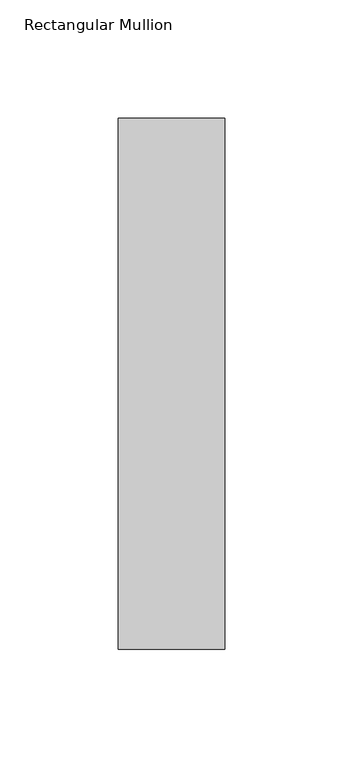
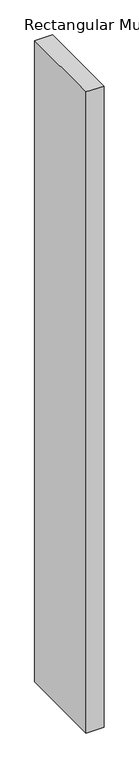
"""IFC4 building model written with IfcOpenShell, lengths in millimetres: member geometry, Rectangular Mullion."""

import ifcopenshell
import ifcopenshell.guid

model = None  # the IFC model being written
_history = None  # IfcOwnerHistory: only IFC2X3 demands one
_inside = {}  # id of a spatial element -> (the spatial element, [elements in it])
_under = {}  # id of a project, library or spatial element -> (it, [spatial elements below it])
_declared = {}  # id of a project -> (the project, [libraries it declares])
_typed = {}  # id of a type object -> (the type object, [elements of that type])
_made_of = {}  # id of a material, layer set ... -> (it, [elements and type objects made of it])


def new_model(schema):
    """Start an empty IFC model of exactly this schema.

    Asked for "IFC4X3", IfcOpenShell would pick the latest addendum, in which some entities
    have other attributes; the version numbers below select the first issue.
    IFC2X3 requires an IfcOwnerHistory on every rooted entity: one is made here for all.
    """
    global model, _history
    if schema == "IFC4X3":
        model = ifcopenshell.file(schema_version=(4, 3, 0, 0))
    else:
        model = ifcopenshell.file(schema=schema)
    _inside.clear()
    _under.clear()
    _declared.clear()
    _typed.clear()
    _made_of.clear()
    _history = None
    if model.schema == "IFC2X3":
        org = make("IfcOrganization", Name="unknown")
        user = make(
            "IfcPersonAndOrganization",
            ThePerson=make("IfcPerson", FamilyName="unknown"),
            TheOrganization=org,
        )
        app = make(
            "IfcApplication",
            ApplicationDeveloper=org,
            Version="unknown",
            ApplicationFullName="unknown",
            ApplicationIdentifier="unknown",
        )
        _history = make(
            "IfcOwnerHistory",
            OwningUser=user,
            OwningApplication=app,
            ChangeAction="ADDED",
            CreationDate=0,
        )
    return model


def make(cls, **values):
    """One entity of the class cls with the attributes given. An attribute that is None is left unset."""
    return model.create_entity(
        cls, **{name: value for name, value in values.items() if value is not None}
    )


def rooted(cls, **values):
    """An entity with a GlobalId (a new one), such as an element, a storey or a relation."""
    return make(cls, GlobalId=ifcopenshell.guid.new(), OwnerHistory=_history, **values)


def si_unit(unit_type, name, prefix=None):
    """IfcSIUnit, for example si_unit("LENGTHUNIT", "METRE", prefix="MILLI")."""
    return make("IfcSIUnit", UnitType=unit_type, Prefix=prefix, Name=name)


def assignment(units):
    """IfcUnitAssignment: the units of a project."""
    return None if units is None else make("IfcUnitAssignment", Units=units)


def point(xyz):
    """IfcCartesianPoint."""
    return None if xyz is None else make("IfcCartesianPoint", Coordinates=xyz)


def direction(xyz):
    """IfcDirection."""
    return None if xyz is None else make("IfcDirection", DirectionRatios=xyz)


def frame(location, z_axis=None, x_axis=None):
    """IfcAxis2Placement3D, a coordinate frame: its origin and axes. An axis left out is left unset."""
    return make(
        "IfcAxis2Placement3D",
        Location=point(location),
        Axis=direction(z_axis),
        RefDirection=direction(x_axis),
    )


def origin():
    """The frame at (0, 0, 0) with its axes left unset."""
    return frame((0.0, 0.0, 0.0))


def place(relative_to, where):
    """IfcLocalPlacement: puts the frame where relative to a parent placement (None: the world)."""
    return make(
        "IfcLocalPlacement", PlacementRelTo=relative_to, RelativePlacement=where
    )


def context(
    kind, dimensions, precision=None, world=None, true_north=None, identifier=None
):
    """IfcGeometricRepresentationContext, for example the 3D "Model" context."""
    return make(
        "IfcGeometricRepresentationContext",
        ContextIdentifier=identifier,
        ContextType=kind,
        CoordinateSpaceDimension=dimensions,
        Precision=precision,
        WorldCoordinateSystem=world,
        TrueNorth=true_north,
    )


def project(units=None, contexts=None):
    """IfcProject with its units and contexts."""
    return rooted(
        "IfcProject",
        Name="project",
        RepresentationContexts=contexts,
        UnitsInContext=assignment(units),
    )


def spatial(cls, under=None, at=None, **own):
    """A site, building, storey or space (cls), placed at a placement, below another one or the project."""
    s = rooted(cls, ObjectPlacement=at, **own)
    if under is not None:
        _under.setdefault(under.id(), (under, []))[1].append(s)
    return s


def polyline(points):
    """IfcPolyline through the points."""
    return make("IfcPolyline", Points=[point(p) for p in points])


def outline(outer, holes=None, kind="AREA"):
    """IfcArbitraryClosedProfileDef: a profile drawn as a closed curve; with holes, ...WithVoids."""
    if holes is None:
        return make("IfcArbitraryClosedProfileDef", ProfileType=kind, OuterCurve=outer)
    return make(
        "IfcArbitraryProfileDefWithVoids",
        ProfileType=kind,
        OuterCurve=outer,
        InnerCurves=holes,
    )


def extrude(swept, where, along, depth):
    """IfcExtrudedAreaSolid: the profile swept, set in the frame where, extruded along a direction by depth."""
    return make(
        "IfcExtrudedAreaSolid",
        SweptArea=swept,
        Position=where,
        ExtrudedDirection=direction(along),
        Depth=depth,
    )


def shape(context_of_items, identifier, shape_type, items):
    """IfcShapeRepresentation: the items that make up one representation, for example the "Body"."""
    return make(
        "IfcShapeRepresentation",
        ContextOfItems=context_of_items,
        RepresentationIdentifier=identifier,
        RepresentationType=shape_type,
        Items=items,
    )


def source(mapping_origin, context_of_items, identifier, shape_type, items):
    """IfcRepresentationMap: a shape defined once, which mapped items show again and again."""
    return make(
        "IfcRepresentationMap",
        MappingOrigin=mapping_origin,
        MappedRepresentation=shape(context_of_items, identifier, shape_type, items),
    )


def transform(
    local_origin,
    x_axis=None,
    y_axis=None,
    z_axis=None,
    scale=None,
    scale2=None,
    scale3=None,
    uniform=True,
):
    """IfcCartesianTransformationOperator3D, or its non-uniform kind. x_axis, y_axis, z_axis: its Axis1, 2, 3."""
    if uniform:
        return make(
            "IfcCartesianTransformationOperator3D",
            Axis1=direction(x_axis),
            Axis2=direction(y_axis),
            LocalOrigin=point(local_origin),
            Scale=scale,
            Axis3=direction(z_axis),
        )
    return make(
        "IfcCartesianTransformationOperator3DnonUniform",
        Axis1=direction(x_axis),
        Axis2=direction(y_axis),
        LocalOrigin=point(local_origin),
        Scale=scale,
        Axis3=direction(z_axis),
        Scale2=scale2,
        Scale3=scale3,
    )


def mapped(mapping_source, mapping_target):
    """IfcMappedItem: shows the shape of a source again, moved by a transform."""
    return make(
        "IfcMappedItem", MappingSource=mapping_source, MappingTarget=mapping_target
    )


def made_of(thing, what):
    """Note that an element or type object is made of a material, layer set ...; save() writes the relation."""
    if what is not None:
        _made_of.setdefault(what.id(), (what, []))[1].append(thing)
    return thing


def element(
    cls,
    number,
    at=None,
    inside=None,
    cuts=None,
    type_object=None,
    material=None,
    context=None,
    identifier="Body",
    shape_type=None,
    held_by="IfcProductDefinitionShape",
    body=None,
    shapes=None,
    **own,
):
    """One element of the class cls, such as IfcWall. Its Tag is "e" and its number.

    at: its placement. inside: the storey or other place that contains it. cuts: it is an
    opening in that element (IfcRelVoidsElement). A single representation is given by context,
    identifier, shape_type and body (its items); several are given by shapes. held_by: the class
    of the entity that holds the representations. save() writes the other relations.
    """
    e = rooted(cls, Tag="e%d" % number, ObjectPlacement=at, **own)
    if body is not None:
        shapes = [shape(context, identifier, shape_type, body)]
    if shapes is not None:
        e.Representation = make(held_by, Representations=shapes)
    if inside is not None:
        _inside.setdefault(inside.id(), (inside, []))[1].append(e)
    if cuts is not None:
        rooted(
            "IfcRelVoidsElement", RelatingBuildingElement=cuts, RelatedOpeningElement=e
        )
    if type_object is not None:
        _typed.setdefault(type_object.id(), (type_object, []))[1].append(e)
    return made_of(e, material)


def aggregate(whole, parts):
    """IfcRelAggregates: a whole, such as a stair, and the parts it consists of."""
    return rooted("IfcRelAggregates", RelatingObject=whole, RelatedObjects=parts)


def save(model, path):
    """Write the relations noted so far, then the file.

    IfcRelAggregates (storeys below a building ...), IfcRelContainedInSpatialStructure (elements
    in a storey), IfcRelDefinesByType, IfcRelAssociatesMaterial and IfcRelDeclares: one each for
    every whole, place, type object, material and project.
    """
    for whole, parts in _under.values():
        aggregate(whole, parts)
    for where, things in _inside.values():
        rooted(
            "IfcRelContainedInSpatialStructure",
            RelatedElements=things,
            RelatingStructure=where,
        )
    for kind, things in _typed.values():
        rooted("IfcRelDefinesByType", RelatedObjects=things, RelatingType=kind)
    for what, things in _made_of.values():
        rooted("IfcRelAssociatesMaterial", RelatedObjects=things, RelatingMaterial=what)
    for by, libraries in _declared.values():
        rooted("IfcRelDeclares", RelatingContext=by, RelatedDefinitions=libraries)
    model.write(path)


def rectangular_mullion_48e275ac(model_context):
    return source(origin(), model_context, "Body", "SweptSolid", [
        extrude(outline(polyline([(22.5, 177.84375), (22.5, -46.84375), (-22.5, -46.84375), (-22.5, 177.84375), (22.5, 177.84375)])), frame((0.0, 0.0, -1708.8912252), z_axis=(0.0, 0.0, 1.0), x_axis=(1.0, 0.0, 0.0)), (0.0, 0.0, 1.0), 1708.8912252),
    ])


if __name__ == "__main__":
    model = new_model("IFC4")
    model_context = context("Model", 3, world=origin())
    ifc_project = project(units=[si_unit("LENGTHUNIT", "METRE", prefix="MILLI")], contexts=[model_context])
    site = spatial("IfcSite", under=ifc_project)
    building = spatial("IfcBuilding", under=site)
    placement = place(None, origin())
    rectangular_mullion_shape = rectangular_mullion_48e275ac(model_context)
    element("IfcMember", 1, ObjectType="Rectangular Mullion", at=placement, inside=building, context=model_context, shape_type="MappedRepresentation", body=[
        mapped(rectangular_mullion_shape, transform((0.0, 0.0, 0.0), x_axis=(1.0, 0.0, 0.0), y_axis=(0.0, 1.0, 0.0), z_axis=(0.0, 0.0, 1.0))),
    ])
    save(model, "model.ifc")
